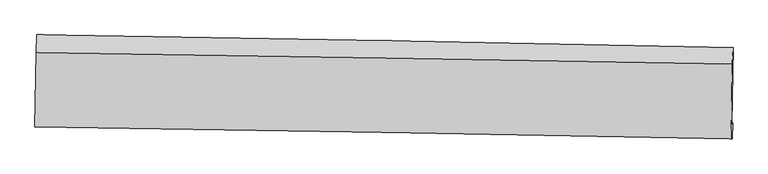
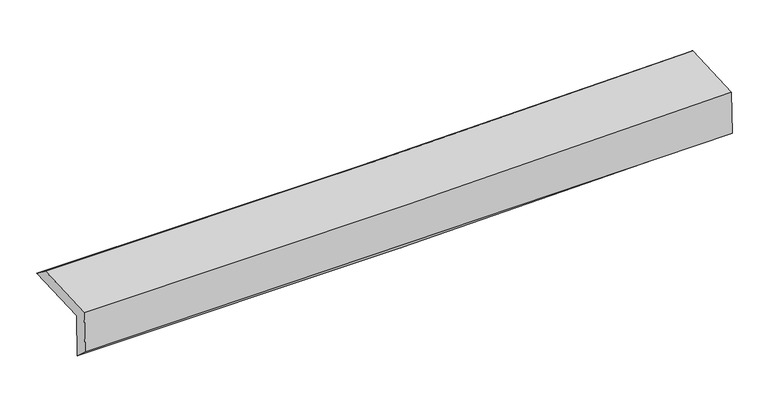
"""IFC4 building model written with IfcOpenShell, lengths in millimetres: proxy geometry."""

import ifcopenshell
import ifcopenshell.guid

model = None  # the IFC model being written
_history = None  # IfcOwnerHistory: only IFC2X3 demands one
_inside = {}  # id of a spatial element -> (the spatial element, [elements in it])
_under = {}  # id of a project, library or spatial element -> (it, [spatial elements below it])
_declared = {}  # id of a project -> (the project, [libraries it declares])
_typed = {}  # id of a type object -> (the type object, [elements of that type])
_made_of = {}  # id of a material, layer set ... -> (it, [elements and type objects made of it])


def new_model(schema):
    """Start an empty IFC model of exactly this schema.

    Asked for "IFC4X3", IfcOpenShell would pick the latest addendum, in which some entities
    have other attributes; the version numbers below select the first issue.
    IFC2X3 requires an IfcOwnerHistory on every rooted entity: one is made here for all.
    """
    global model, _history
    if schema == "IFC4X3":
        model = ifcopenshell.file(schema_version=(4, 3, 0, 0))
    else:
        model = ifcopenshell.file(schema=schema)
    _inside.clear()
    _under.clear()
    _declared.clear()
    _typed.clear()
    _made_of.clear()
    _history = None
    if model.schema == "IFC2X3":
        org = make("IfcOrganization", Name="unknown")
        user = make(
            "IfcPersonAndOrganization",
            ThePerson=make("IfcPerson", FamilyName="unknown"),
            TheOrganization=org,
        )
        app = make(
            "IfcApplication",
            ApplicationDeveloper=org,
            Version="unknown",
            ApplicationFullName="unknown",
            ApplicationIdentifier="unknown",
        )
        _history = make(
            "IfcOwnerHistory",
            OwningUser=user,
            OwningApplication=app,
            ChangeAction="ADDED",
            CreationDate=0,
        )
    return model


def make(cls, **values):
    """One entity of the class cls with the attributes given. An attribute that is None is left unset."""
    return model.create_entity(
        cls, **{name: value for name, value in values.items() if value is not None}
    )


def rooted(cls, **values):
    """An entity with a GlobalId (a new one), such as an element, a storey or a relation."""
    return make(cls, GlobalId=ifcopenshell.guid.new(), OwnerHistory=_history, **values)


def si_unit(unit_type, name, prefix=None):
    """IfcSIUnit, for example si_unit("LENGTHUNIT", "METRE", prefix="MILLI")."""
    return make("IfcSIUnit", UnitType=unit_type, Prefix=prefix, Name=name)


def assignment(units):
    """IfcUnitAssignment: the units of a project."""
    return None if units is None else make("IfcUnitAssignment", Units=units)


def point(xyz):
    """IfcCartesianPoint."""
    return None if xyz is None else make("IfcCartesianPoint", Coordinates=xyz)


def direction(xyz):
    """IfcDirection."""
    return None if xyz is None else make("IfcDirection", DirectionRatios=xyz)


def frame(location, z_axis=None, x_axis=None):
    """IfcAxis2Placement3D, a coordinate frame: its origin and axes. An axis left out is left unset."""
    return make(
        "IfcAxis2Placement3D",
        Location=point(location),
        Axis=direction(z_axis),
        RefDirection=direction(x_axis),
    )


def origin():
    """The frame at (0, 0, 0) with its axes left unset."""
    return frame((0.0, 0.0, 0.0))


def place(relative_to, where):
    """IfcLocalPlacement: puts the frame where relative to a parent placement (None: the world)."""
    return make(
        "IfcLocalPlacement", PlacementRelTo=relative_to, RelativePlacement=where
    )


def context(
    kind, dimensions, precision=None, world=None, true_north=None, identifier=None
):
    """IfcGeometricRepresentationContext, for example the 3D "Model" context."""
    return make(
        "IfcGeometricRepresentationContext",
        ContextIdentifier=identifier,
        ContextType=kind,
        CoordinateSpaceDimension=dimensions,
        Precision=precision,
        WorldCoordinateSystem=world,
        TrueNorth=true_north,
    )


def project(units=None, contexts=None):
    """IfcProject with its units and contexts."""
    return rooted(
        "IfcProject",
        Name="project",
        RepresentationContexts=contexts,
        UnitsInContext=assignment(units),
    )


def spatial(cls, under=None, at=None, **own):
    """A site, building, storey or space (cls), placed at a placement, below another one or the project."""
    s = rooted(cls, ObjectPlacement=at, **own)
    if under is not None:
        _under.setdefault(under.id(), (under, []))[1].append(s)
    return s


def shape(context_of_items, identifier, shape_type, items):
    """IfcShapeRepresentation: the items that make up one representation, for example the "Body"."""
    return make(
        "IfcShapeRepresentation",
        ContextOfItems=context_of_items,
        RepresentationIdentifier=identifier,
        RepresentationType=shape_type,
        Items=items,
    )


def source(mapping_origin, context_of_items, identifier, shape_type, items):
    """IfcRepresentationMap: a shape defined once, which mapped items show again and again."""
    return make(
        "IfcRepresentationMap",
        MappingOrigin=mapping_origin,
        MappedRepresentation=shape(context_of_items, identifier, shape_type, items),
    )


def transform(
    local_origin,
    x_axis=None,
    y_axis=None,
    z_axis=None,
    scale=None,
    scale2=None,
    scale3=None,
    uniform=True,
):
    """IfcCartesianTransformationOperator3D, or its non-uniform kind. x_axis, y_axis, z_axis: its Axis1, 2, 3."""
    if uniform:
        return make(
            "IfcCartesianTransformationOperator3D",
            Axis1=direction(x_axis),
            Axis2=direction(y_axis),
            LocalOrigin=point(local_origin),
            Scale=scale,
            Axis3=direction(z_axis),
        )
    return make(
        "IfcCartesianTransformationOperator3DnonUniform",
        Axis1=direction(x_axis),
        Axis2=direction(y_axis),
        LocalOrigin=point(local_origin),
        Scale=scale,
        Axis3=direction(z_axis),
        Scale2=scale2,
        Scale3=scale3,
    )


def mapped(mapping_source, mapping_target):
    """IfcMappedItem: shows the shape of a source again, moved by a transform."""
    return make(
        "IfcMappedItem", MappingSource=mapping_source, MappingTarget=mapping_target
    )


def made_of(thing, what):
    """Note that an element or type object is made of a material, layer set ...; save() writes the relation."""
    if what is not None:
        _made_of.setdefault(what.id(), (what, []))[1].append(thing)
    return thing


def element(
    cls,
    number,
    at=None,
    inside=None,
    cuts=None,
    type_object=None,
    material=None,
    context=None,
    identifier="Body",
    shape_type=None,
    held_by="IfcProductDefinitionShape",
    body=None,
    shapes=None,
    **own,
):
    """One element of the class cls, such as IfcWall. Its Tag is "e" and its number.

    at: its placement. inside: the storey or other place that contains it. cuts: it is an
    opening in that element (IfcRelVoidsElement). A single representation is given by context,
    identifier, shape_type and body (its items); several are given by shapes. held_by: the class
    of the entity that holds the representations. save() writes the other relations.
    """
    e = rooted(cls, Tag="e%d" % number, ObjectPlacement=at, **own)
    if body is not None:
        shapes = [shape(context, identifier, shape_type, body)]
    if shapes is not None:
        e.Representation = make(held_by, Representations=shapes)
    if inside is not None:
        _inside.setdefault(inside.id(), (inside, []))[1].append(e)
    if cuts is not None:
        rooted(
            "IfcRelVoidsElement", RelatingBuildingElement=cuts, RelatedOpeningElement=e
        )
    if type_object is not None:
        _typed.setdefault(type_object.id(), (type_object, []))[1].append(e)
    return made_of(e, material)


def aggregate(whole, parts):
    """IfcRelAggregates: a whole, such as a stair, and the parts it consists of."""
    return rooted("IfcRelAggregates", RelatingObject=whole, RelatedObjects=parts)


def save(model, path):
    """Write the relations noted so far, then the file.

    IfcRelAggregates (storeys below a building ...), IfcRelContainedInSpatialStructure (elements
    in a storey), IfcRelDefinesByType, IfcRelAssociatesMaterial and IfcRelDeclares: one each for
    every whole, place, type object, material and project.
    """
    for whole, parts in _under.values():
        aggregate(whole, parts)
    for where, things in _inside.values():
        rooted(
            "IfcRelContainedInSpatialStructure",
            RelatedElements=things,
            RelatingStructure=where,
        )
    for kind, things in _typed.values():
        rooted("IfcRelDefinesByType", RelatedObjects=things, RelatingType=kind)
    for what, things in _made_of.values():
        rooted("IfcRelAssociatesMaterial", RelatedObjects=things, RelatingMaterial=what)
    for by, libraries in _declared.values():
        rooted("IfcRelDeclares", RelatingContext=by, RelatedDefinitions=libraries)
    model.write(path)


def plane_surface(at):
    """IfcPlane: the flat surface through the origin of the frame at, square to its z axis."""
    return make("IfcPlane", Position=at)


def spline_curve(degree, points, multiplicities, knots, weights=None):
    """IfcBSplineCurveWithKnots; with weights, IfcRationalBSplineCurveWithKnots."""
    own = dict(
        Degree=degree,
        ControlPointsList=[point(p) for p in points],
        CurveForm="UNSPECIFIED",
        ClosedCurve=False,
        SelfIntersect=False,
        KnotMultiplicities=multiplicities,
        Knots=knots,
        KnotSpec="UNSPECIFIED",
    )
    if weights is None:
        return make("IfcBSplineCurveWithKnots", **own)
    return make("IfcRationalBSplineCurveWithKnots", WeightsData=weights, **own)


def spline_surface(u_degree, v_degree, points, u_multiplicities, v_multiplicities, u_knots, v_knots, weights=None):
    """IfcBSplineSurfaceWithKnots; with weights, IfcRationalBSplineSurfaceWithKnots. points: one row for each step in u."""
    own = dict(
        UDegree=u_degree,
        VDegree=v_degree,
        ControlPointsList=[[point(p) for p in row] for row in points],
        SurfaceForm="UNSPECIFIED",
        UClosed=False,
        VClosed=False,
        SelfIntersect=False,
        UMultiplicities=u_multiplicities,
        VMultiplicities=v_multiplicities,
        UKnots=u_knots,
        VKnots=v_knots,
        KnotSpec="UNSPECIFIED",
    )
    if weights is None:
        return make("IfcBSplineSurfaceWithKnots", **own)
    return make("IfcRationalBSplineSurfaceWithKnots", WeightsData=weights, **own)


def advanced_brep(points, edges, surfaces, faces):
    """IfcAdvancedBrep: a solid bounded by faces that lie on surfaces and meet in shared edges.

    An edge is (start, end): straight between two places in points (the first is 0);
    or (start, end, curve); or (start, end, curve, False) where it runs against its curve.
    A face is (place in surfaces, loops), or (place, loops, False) where it looks against
    its surface's normal. A loop lists edges by number (the first is 1), with a minus sign
    where the edge is run from its end to its start. The first loop is the outer one.
    """
    corners = [point(p) for p in points]
    vertices = [make("IfcVertexPoint", VertexGeometry=c) for c in corners]
    made = []
    for start, end, *more in edges:
        made.append(
            make(
                "IfcEdgeCurve",
                EdgeStart=vertices[start],
                EdgeEnd=vertices[end],
                EdgeGeometry=more[0] if more else make("IfcPolyline", Points=[corners[start], corners[end]]),
                SameSense=more[1] if len(more) > 1 else True,
            )
        )
    hull = []
    for where, loops, *sense in faces:
        bounds = []
        for j, loop in enumerate(loops):
            ring = [make("IfcOrientedEdge", EdgeElement=made[abs(k) - 1], Orientation=k > 0) for k in loop]
            bounds.append(
                make(
                    "IfcFaceOuterBound" if j == 0 else "IfcFaceBound",
                    Bound=make("IfcEdgeLoop", EdgeList=ring),
                    Orientation=True,
                )
            )
        hull.append(make("IfcAdvancedFace", Bounds=bounds, FaceSurface=surfaces[where], SameSense=sense[0] if sense else True))
    return make("IfcAdvancedBrep", Outer=make("IfcClosedShell", CfsFaces=hull))


def generic_models_b92f54f2(model_context):
    return source(origin(), model_context, "Body", "AdvancedBrep", [
        advanced_brep(
        [(-3025.4177449, -1755.3497784, 1976.390545), (-3012.7938621, -1085.869003, 1986.5339866), (3012.9330994, -1195.075706, 2127.3746512), (3000.7261671, -1859.652977, 2117.3136411), (-3015.1660979, -1747.4796219, 1569.0012552), (3010.8532186, -1851.8793908, 1714.9220826), (-3020.9570843, -1886.0989109, 1695.0494759), (3005.6724506, -1990.5024887, 1819.033402), (-3030.5922665, -1886.1593382, 2083.6320761), (2995.4849274, -1990.7517889, 2229.5484251), (-3018.5859471, -1240.441704, 2100.2513596), (3007.2619046, -1340.2830239, 2246.2819611)],
        [
            (0, 1),
            (1, 2, spline_curve(3, [(-3012.7938621, -1085.869003, 1986.5339866), (-2008.045197342, -1102.681713177, 1992.114146256), (-1003.522066485, -1120.188722149, 2006.641149258), (1005.053578755, -1156.590983743, 2053.588385798), (2009.106101566, -1175.486208974, 2086.00827075), (3012.9330994, -1195.075706, 2127.3746512)], [4, 2, 4], [0.0, 9.88980915442558, 19.779425793108963])),
            (2, 3),
            (3, 0, spline_curve(3, [(3000.7261671, -1859.652977, 2117.3136411), (1996.860535478, -1839.244213253, 2075.958317242), (992.753950465, -1820.347968121, 2043.537091524), (-1015.960677548, -1785.58017608, 1996.562378065), (-2020.568729897, -1769.708688468, 1982.009238649), (-3025.4177449, -1755.3497784, 1976.390545)], [4, 2, 4], [0.0, 9.889616638683384, 19.779425793108963])),
            (4, 0),
            (3, 5),
            (5, 4, spline_curve(3, [(3010.8532186, -1851.8793908, 1714.9220826), (2006.966432255, -1831.486714308, 1674.399680081), (1002.85965262, -1812.590465315, 1641.978449147), (-1005.813444298, -1777.790484172, 1593.337858228), (-2010.37977019, -1761.886809939, 1577.118813036), (-3015.1660979, -1747.4796219, 1569.0012552)], [4, 2, 4], [0.0, 9.889854618489704, 19.779901757354224])),
            (6, 4),
            (5, 7),
            (7, 6, spline_curve(3, [(3005.6724506, -1990.5024887, 1819.033402), (2001.334911895, -1970.237041116, 1796.142613375), (996.951903317, -1951.404089823, 1774.365314763), (-1011.924606575, -1916.602841452, 1733.037295986), (-2016.418109695, -1900.634600203, 1713.486619185), (-3020.9570843, -1886.0989109, 1695.0494759)], [4, 2, 4], [0.0, 9.889682053539776, 19.779556624095143])),
            (8, 6),
            (7, 9),
            (9, 8, spline_curve(3, [(2995.4849274, -1990.7517889, 2229.5484251), (1991.58731661, -1970.390838747, 2189.024768427), (987.470301486, -1951.494396853, 2156.603283701), (-1021.222087752, -1916.63018961, 2107.964185488), (-2025.797470939, -1900.662481241, 2091.746887041), (-3030.5922665, -1886.1593382, 2083.6320761)], [4, 2, 4], [0.0, 9.889731956282978, 19.779656430552976])),
            (10, 8),
            (9, 11),
            (11, 10, spline_curve(3, [(3007.2619046, -1340.2830239, 2246.2819611), (2003.370793492, -1322.463876354, 2205.694243206), (999.276139746, -1305.234267856, 2173.231207079), (-1009.339802868, -1271.953804821, 2124.554023539), (-2013.861099757, -1255.902973461, 2108.340192783), (-3018.5859471, -1240.441704, 2100.2513596)], [4, 2, 4], [0.0, 9.889660745415984, 19.779514007432766])),
            (1, 10),
            (11, 2),
        ],
        [
            spline_surface(3, 3, [[(-3025.4177449, -1755.3497784, 1976.390545), (-2020.568729866, -1769.708688589, 1982.009238681), (-1015.960677518, -1785.580176223, 1996.562378209), (992.753950436, -1820.347967978, 2043.53709138), (1996.860535418, -1839.244213209, 2075.958317278), (3000.7261671, -1859.652977, 2117.3136411)], [(-3021.209783982, -1532.189519931, 1979.771692182), (-2016.394219076, -1547.366363465, 1985.37754116), (-1011.814473813, -1563.783024899, 1999.921968592), (996.853826508, -1599.095639864, 2046.887522878), (2000.942390743, -1617.991545123, 2079.308301825), (3004.795144519, -1638.127220017, 2120.667311145)], [(-3017.001823018, -1309.029261469, 1983.152839418), (-2012.219708239, -1325.024038348, 1988.745843691), (-1007.668270098, -1341.985873578, 2003.281558887), (1000.953702591, -1377.843311752, 2050.237954289), (2005.024246109, -1396.738876986, 2082.658286337), (3008.864121981, -1416.601462983, 2124.020981155)], [(-3012.7938621, -1085.869003, 1986.5339866), (-2008.04519745, -1102.681713223, 1992.114146169), (-1003.522066393, -1120.188722254, 2006.64114927), (1005.053578663, -1156.590983638, 2053.588385787), (2009.106101433, -1175.4862089, 2086.008270885), (3012.9330994, -1195.075706, 2127.3746512)]], [4, 4], [4, 2, 4], [0.0, 2.1809892817257372], [0.0, 9.88980915442558, 19.779425793108963]),
            spline_surface(3, 3, [[(-3015.1660979, -1747.4796219, 1569.0012552), (-2010.37977013, -1761.886810087, 1577.118813044), (-1005.813444315, -1777.790484117, 1593.337858079), (1002.859652637, -1812.59046537, 1641.978449296), (2006.966432287, -1831.486714256, 1674.399680037), (3010.8532186, -1851.8793908, 1714.9220826)], [(-3018.583313553, -1750.103007402, 1704.797685149), (-2013.776090028, -1764.494102923, 1712.082288272), (-1009.195855386, -1780.387048136, 1727.746031424), (999.491085234, -1815.176299556, 1775.83132996), (2003.597799995, -1834.072547218, 1808.252559092), (3007.477534764, -1854.470586178, 1849.052602074)], [(-3022.000529247, -1752.726392898, 1840.594115051), (-2017.172409967, -1767.101395753, 1847.045763454), (-1012.578266448, -1782.983612204, 1862.154204863), (996.122517839, -1817.762133791, 1909.684210717), (2000.229167711, -1836.658380247, 1942.105438223), (3004.101850936, -1857.061781622, 1983.183121626)], [(-3025.4177449, -1755.3497784, 1976.390545), (-2020.568729866, -1769.708688589, 1982.009238681), (-1015.960677518, -1785.580176223, 1996.562378209), (992.753950436, -1820.347967978, 2043.53709138), (1996.860535418, -1839.244213209, 2075.958317278), (3000.7261671, -1859.652977, 2117.3136411)]], [4, 4], [4, 2, 4], [0.0, 1.3208466313325729], [0.0, 9.89004713886452, 19.779901757354224]),
            spline_surface(3, 3, [[(-3020.9570843, -1886.0989109, 1695.0494759), (-2016.418109554, -1900.634600074, 1713.486619171), (-1011.924606548, -1916.602841452, 1733.03729601), (996.95190329, -1951.404089822, 1774.365314739), (2001.334911968, -1970.237041048, 1796.142613245), (3005.6724506, -1990.5024887, 1819.033402)], [(-3019.026755514, -1839.892481233, 1653.033402343), (-2014.40532976, -1854.385336745, 1668.030683805), (-1009.887552489, -1870.332055698, 1686.470816711), (998.921153054, -1905.132881695, 1730.236359603), (2003.212085437, -1923.986932143, 1755.56163552), (3007.399373296, -1944.294789426, 1784.329628878)], [(-3017.096426686, -1793.686051567, 1611.017328757), (-2012.392549924, -1808.136073416, 1622.57474841), (-1007.850498374, -1824.061269872, 1639.904337377), (1000.890402873, -1858.861673497, 1686.107404432), (2005.089258819, -1877.73682316, 1714.980657762), (3009.126295904, -1898.087090074, 1749.625855722)], [(-3015.1660979, -1747.4796219, 1569.0012552), (-2010.37977013, -1761.886810087, 1577.118813044), (-1005.813444315, -1777.790484117, 1593.337858079), (1002.859652637, -1812.59046537, 1641.978449296), (2006.966432287, -1831.486714256, 1674.399680037), (3010.8532186, -1851.8793908, 1714.9220826)]], [4, 4], [4, 2, 4], [0.0, 0.6379771681430683], [0.0, 9.889874570555367, 19.779556624095143]),
            spline_surface(3, 3, [[(-3030.5922665, -1886.1593382, 2083.6320761), (-2025.797470793, -1900.662481361, 2091.746886985), (-1021.222087845, -1916.630189608, 2107.964185378), (987.470301579, -1951.494396854, 2156.603283811), (1991.587316599, -1970.39083885, 2189.02476844), (2995.4849274, -1990.7517889, 2229.5484251)], [(-3027.38053908, -1886.139195756, 1954.104542683), (-2022.671017027, -1900.653187588, 1965.66013103), (-1018.122927388, -1916.621073547, 1982.988555583), (990.630835507, -1951.464294501, 2029.190627448), (1994.83651505, -1970.339572909, 2058.064050047), (2998.880768461, -1990.668688826, 2092.710084072)], [(-3024.16881172, -1886.119053344, 1824.577009317), (-2019.544563321, -1900.643893847, 1839.573375126), (-1015.023767004, -1916.611957514, 1858.012925805), (993.791369362, -1951.434192176, 1901.777971102), (1998.085713517, -1970.288306989, 1927.103331638), (3002.276609539, -1990.585588774, 1955.871743028)], [(-3020.9570843, -1886.0989109, 1695.0494759), (-2016.418109554, -1900.634600074, 1713.486619171), (-1011.924606548, -1916.602841452, 1733.03729601), (996.95190329, -1951.404089822, 1774.365314739), (2001.334911968, -1970.237041048, 1796.142613245), (3005.6724506, -1990.5024887, 1819.033402)]], [4, 4], [4, 2, 4], [0.0, 1.2424500777212435], [0.0, 9.889924474269998, 19.779656430552976]),
            spline_surface(3, 3, [[(-3018.5859471, -1240.441704, 2100.2513596), (-2013.861099727, -1255.902973447, 2108.340192666), (-1009.339802886, -1271.953804881, 2124.554023565), (999.276139764, -1305.234267796, 2173.231207054), (2003.370793473, -1322.463876336, 2205.694243318), (3007.2619046, -1340.2830239, 2246.2819611)], [(-3022.588053566, -1455.680915386, 2094.711598431), (-2017.839890083, -1470.822809404, 2102.80909077), (-1013.300564559, -1486.845933103, 2119.02407752), (995.340860349, -1520.654310795, 2167.68856599), (1999.442967839, -1538.439530493, 2200.137751677), (3003.336245524, -1557.105945552, 2240.704115752)], [(-3026.590160034, -1670.920126814, 2089.171837269), (-2021.818680438, -1685.742645403, 2097.277988881), (-1017.261326172, -1701.738061386, 2113.494131423), (991.405580994, -1736.074353855, 2162.145924875), (1995.515142232, -1754.415184694, 2194.581260081), (2999.410586476, -1773.928867248, 2235.126270448)], [(-3030.5922665, -1886.1593382, 2083.6320761), (-2025.797470793, -1900.662481361, 2091.746886985), (-1021.222087845, -1916.630189608, 2107.964185378), (987.470301579, -1951.494396854, 2156.603283811), (1991.587316599, -1970.39083885, 2189.02476844), (2995.4849274, -1990.7517889, 2229.5484251)]], [4, 4], [4, 2, 4], [0.0, 2.11873528068747], [0.0, 9.889853262016782, 19.779514007432766]),
            spline_surface(3, 3, [[(-3012.7938621, -1085.869003, 1986.5339866), (-2008.04519745, -1102.681713223, 1992.114146169), (-1003.522066393, -1120.188722254, 2006.64114927), (1005.053578663, -1156.590983638, 2053.588385787), (2009.106101433, -1175.4862089, 2086.008270885), (3012.9330994, -1195.075706, 2127.3746512)], [(-3014.724557104, -1137.393236692, 2024.439777612), (-2009.983831546, -1153.755466656, 2030.85616168), (-1005.46131187, -1170.777083153, 2045.945440681), (1003.127765717, -1206.138745047, 2093.469326188), (2007.194332115, -1224.478764714, 2125.903595042), (3011.042701135, -1243.478145301, 2167.010421179)], [(-3016.655252096, -1188.917470308, 2062.345568588), (-2011.922465631, -1204.829220014, 2069.598177155), (-1007.400557409, -1221.365443982, 2085.249732154), (1001.20195271, -1255.686506387, 2133.350266652), (2005.282562791, -1273.471320523, 2165.798919161), (3009.152302865, -1291.880584599, 2206.646191121)], [(-3018.5859471, -1240.441704, 2100.2513596), (-2013.861099727, -1255.902973447, 2108.340192666), (-1009.339802886, -1271.953804881, 2124.554023565), (999.276139764, -1305.234267796, 2173.231207054), (2003.370793473, -1322.463876336, 2205.694243318), (3007.2619046, -1340.2830239, 2246.2819611)]], [4, 4], [4, 2, 4], [0.0, 0.6285449733038622], [0.0, 9.889562242767685, 19.778931974599573]),
            plane_surface(frame((3005.488628, -1704.6908959, 2042.4123605), z_axis=(0.999517045378158, -0.018734435944695402, 0.024793081864736895), x_axis=(0.024808801529834806, 0.0006070994501758862, -0.9996920299756875))),
            plane_surface(frame((-3020.5855005, -1600.2330594, 1901.8097831), z_axis=(-0.9995080912994178, 0.01922240823213086, -0.02478052559475), x_axis=(-0.01885071478710767, -0.9997075701076917, -0.015146775940436737))),
        ],
        [
            (0, [[1, 2, 3, 4]]),
            (1, [[5, -4, 6, 7]]),
            (2, [[8, -7, 9, 10]]),
            (3, [[11, -10, 12, 13]]),
            (4, [[14, -13, 15, 16]]),
            (5, [[17, -16, 18, -2]]),
            (6, [[-12, -9, -6, -3, -18, -15]]),
            (7, [[-1, -5, -8, -11, -14, -17]]),
        ],
    ),
    ])


if __name__ == "__main__":
    model = new_model("IFC4")
    model_context = context("Model", 3, world=origin())
    ifc_project = project(units=[si_unit("LENGTHUNIT", "METRE", prefix="MILLI")], contexts=[model_context])
    site = spatial("IfcSite", under=ifc_project)
    building = spatial("IfcBuilding", under=site)
    placement = place(None, origin())
    generic_models_shape = generic_models_b92f54f2(model_context)
    element("IfcBuildingElementProxy", 1, Name="Generic Models", at=placement, inside=building, context=model_context, shape_type="MappedRepresentation", body=[
        mapped(generic_models_shape, transform((0.0, 0.0, 0.0), x_axis=(1.0, 0.0, 0.0), y_axis=(0.0, 1.0, 0.0), z_axis=(0.0, 0.0, 1.0))),
    ])
    save(model, "model.ifc")
